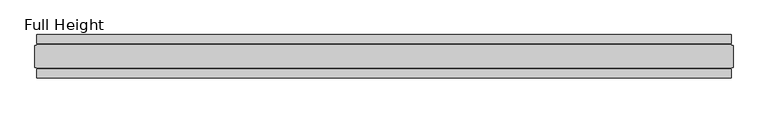
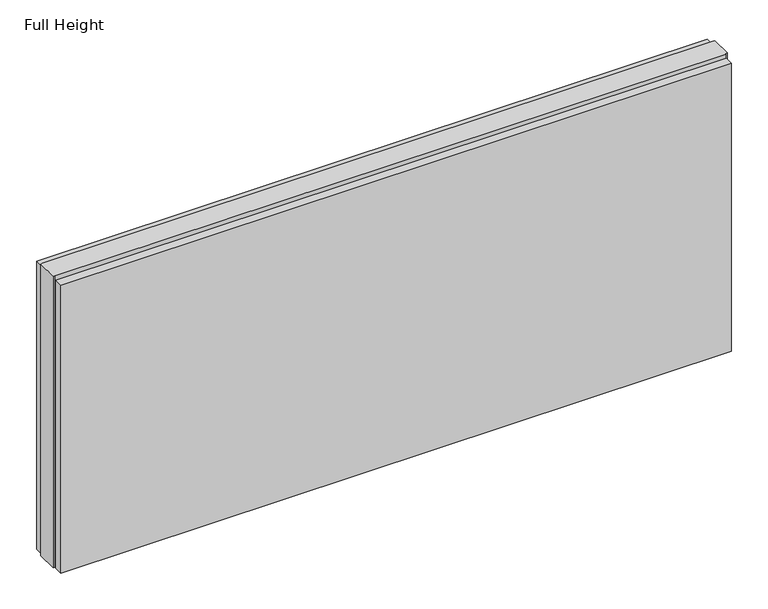
"""IFC4 building model written with IfcOpenShell, lengths in millimetres: plate geometry, Full Height."""

from ifc_helpers import new_model, si_unit, origin, origin_with_axes, place, context, project, spatial, polyline, outline, extrude, source, transform, mapped, element, save


def full_height_cbdf9973(model_context):
    return source(origin(), model_context, "Body", "SweptSolid", [
        extrude(outline(polyline([(793.4910074, 28.956), (-793.4910074, 28.956), (-793.4910074, 49.53), (793.4910074, 49.53), (793.4910074, 28.956)])), origin_with_axes(), (0.0, 0.0, 1.0), 720.852),
        extrude(outline(polyline([(793.4910074, -28.956), (793.4910074, -49.53), (-793.4910074, -49.53), (-793.4910074, -28.956), (793.4910074, -28.956)])), origin_with_axes(), (0.0, 0.0, 1.0), 720.852),
        extrude(outline(polyline([(793.4910074, -25.146), (793.4910074, -26.67), (-793.4910074, -26.67), (-793.4910074, -25.146), (-798.0630074, -25.146), (-798.0630074, 25.146), (-793.4910074, 25.146), (-793.4910074, 26.67), (793.4910074, 26.67), (793.4910074, 25.146), (798.0630074, 25.146), (798.0630074, -25.146), (793.4910074, -25.146)])), origin_with_axes(), (0.0, 0.0, 1.0), 729.996),
    ])


if __name__ == "__main__":
    model = new_model("IFC4")
    model_context = context("Model", 3, world=origin())
    ifc_project = project(units=[si_unit("LENGTHUNIT", "METRE", prefix="MILLI")], contexts=[model_context])
    site = spatial("IfcSite", under=ifc_project)
    building = spatial("IfcBuilding", under=site)
    placement = place(None, origin())
    full_height_shape = full_height_cbdf9973(model_context)
    element("IfcPlate", 1, ObjectType="Full Height", at=placement, inside=building, context=model_context, shape_type="MappedRepresentation", body=[
        mapped(full_height_shape, transform((0.0, 0.0, 0.0), x_axis=(1.0, 0.0, 0.0), y_axis=(0.0, 1.0, 0.0), z_axis=(0.0, 0.0, 1.0))),
    ])
    save(model, "model.ifc")
